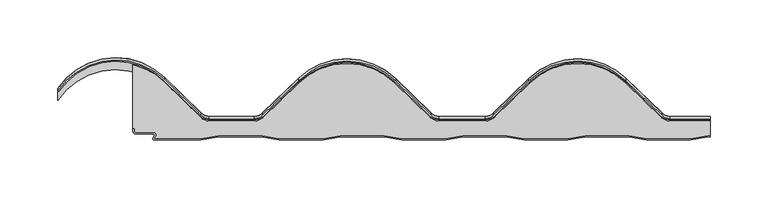
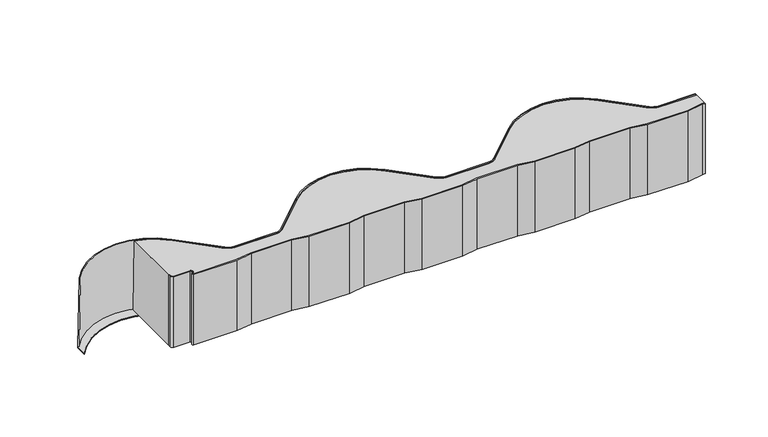
"""IFC4 building model written with IfcOpenShell, lengths in millimetres: proxy geometry."""

from ifc_helpers import new_model, si_unit, point, frame, frame_2d, origin, origin_with_axes, place, context, project, spatial, polyline, circle_curve, trimmed, segment, composite_curve, outline, extrude, source, transform, mapped, element, save
from ifc_brep_helpers import plane_surface, cylinder_surface, revolved_surface, extruded_surface, advanced_brep


def generic_models_993bad3c(model_context):
    return source(origin(), model_context, "Body", "SolidModel", [
        extrude(outline(composite_curve([segment(polyline([(-2.265, 1.5), (-17.265, -1.0), (-55.265, -1.0), (-70.265, 1.5), (-108.265, 1.5), (-123.265, -1.0), (-161.265, -1.0), (-176.265, 1.5), (-214.265, 1.5), (-229.265, -1.0), (-267.265, -1.0), (-282.265, 1.5), (-320.265, 1.5), (-335.265, -1.0), (-373.265, -1.0), (-388.265, 1.5), (-426.265, 1.5), (-441.265, -1.0), (-482.0711352, -1.0)]), True, "CONTINUOUS"), segment(trimmed(circle_curve(frame_2d((-482.0711352, 0.0)), 1.0), [point((-482.0711352, -1.0))], [point((-482.9100181, 0.5443119))], False, "CARTESIAN"), True, "CONTINUOUS"), segment(polyline([(-482.9100181, 0.5443119), (-481.4750477, 2.7558601)]), True, "CONTINUOUS"), segment(trimmed(circle_curve(frame_2d((-482.3139306, 3.3001721)), 1.0), [point((-481.4750477, 2.7558601))], [point((-482.3139306, 4.3001721))], True, "CARTESIAN"), True, "CONTINUOUS"), segment(polyline([(-482.3139306, 4.3001721), (-497.9000007, 4.3001721)]), True, "CONTINUOUS"), segment(trimmed(circle_curve(frame_2d((-497.9000007, 6.4001714)), 2.0999993), [point((-497.9000007, 4.3001721))], [point((-500.0, 6.4001714))], False, "CARTESIAN"), True, "CONTINUOUS"), segment(polyline([(-500.0, 6.4001714), (-500.0, 8.4001722), (-499.0, 8.4001722), (-499.0, 6.4001714)]), True, "CONTINUOUS"), segment(trimmed(circle_curve(frame_2d((-497.9000007, 6.4001714)), 1.0999993), [point((-499.0, 6.4001714))], [point((-497.9000007, 5.3001721))], True, "CARTESIAN"), True, "CONTINUOUS"), segment(polyline([(-497.9000007, 5.3001721), (-482.3139306, 5.3001721)]), True, "CONTINUOUS"), segment(trimmed(circle_curve(frame_2d((-482.3139306, 3.3001721)), 2.0), [point((-482.3139306, 5.3001721))], [point((-480.6361648, 2.2115482))], False, "CARTESIAN"), True, "CONTINUOUS"), segment(polyline([(-480.6361648, 2.2115482), (-482.0711352, 0.0), (-441.3477625, 0.0), (-426.3477625, 2.5), (-388.1822375, 2.5), (-373.1822375, 0.0), (-335.3477625, 0.0), (-320.3477625, 2.5), (-282.1822375, 2.5), (-267.1822375, 0.0), (-229.3477625, 0.0), (-214.3477625, 2.5), (-176.1822375, 2.5), (-161.1822375, 0.0), (-123.3477625, 0.0), (-108.3477625, 2.5), (-70.1822375, 2.5), (-55.1822375, 0.0), (-17.3477625, 0.0), (-2.3477625, 2.5), (-0.0286423, 2.5), (-0.0286423, 1.5), (-2.265, 1.5)]), True, "CONTINUOUS")], self_intersect=False)), origin_with_axes(), (0.0, 0.0, 1.0), 70.001),
        advanced_brep(
        [(-500.0, 66.6216742, 0.0), (-473.3196047, 51.6257976, 0.0), (-441.4819062, 20.6196004, 0.0), (-433.8073181, 17.5, 0.0), (-394.8301637, 17.5, 0.0), (-387.1555756, 20.6196004, 0.0), (-356.3446944, 50.6257976, 0.0), (-273.3196047, 50.6257976, 0.0), (-242.5087235, 20.6196004, 0.0), (-234.8341354, 17.5, 0.0), (-194.8301637, 17.5, 0.0), (-187.1555756, 20.6196004, 0.0), (-156.3446944, 50.6257976, 0.0), (-73.3196047, 50.6257976, 0.0), (-42.5087235, 20.6196004, 0.0), (-34.8341354, 17.5, 0.0), (-0.0286423, 17.5, 0.0), (-0.0286423, 2.5, 0.0), (-2.3477625, 2.5, 0.0), (-17.3477625, 0.0, 0.0), (-55.1822375, 0.0, 0.0), (-70.1822375, 2.5, 0.0), (-108.3477625, 2.5, 0.0), (-123.3477625, 0.0, 0.0), (-161.1822375, 0.0, 0.0), (-176.1822375, 2.5, 0.0), (-214.3477625, 2.5, 0.0), (-229.3477625, 0.0, 0.0), (-267.1822375, 0.0, 0.0), (-282.1822375, 2.5, 0.0), (-320.3477625, 2.5, 0.0), (-335.3477625, 0.0, 0.0), (-373.1822375, 0.0, 0.0), (-388.1822375, 2.5, 0.0), (-426.3477625, 2.5, 0.0), (-441.3477625, 0.0, 0.0), (-482.0711352, 0.0, 0.0), (-480.6361648, 2.2115482, 0.0), (-482.3139306, 5.3001721, 0.0), (-497.9000007, 5.3001721, 0.0), (-499.0, 6.4001714, 0.0), (-499.0, 8.4001722, 0.0), (-500.0, 8.4001722, 0.0), (-500.0, 8.4001722, 70.001), (-500.0, 64.5216442, 70.001), (-499.0, 8.4001722, 70.001), (-499.0, 6.4001714, 70.001), (-497.9000007, 5.3001721, 70.001), (-482.3139306, 5.3001721, 70.001), (-480.6361648, 2.2115482, 70.001), (-482.0711352, 0.0, 70.001), (-441.3477625, 0.0, 70.001), (-426.3477625, 2.5, 70.001), (-388.1822375, 2.5, 70.001), (-373.1822375, 0.0, 70.001), (-335.3477625, 0.0, 70.001), (-320.3477625, 2.5, 70.001), (-282.1822375, 2.5, 70.001), (-267.1822375, 0.0, 70.001), (-229.3477625, 0.0, 70.001), (-214.3477625, 2.5, 70.001), (-176.1822375, 2.5, 70.001), (-161.1822375, 0.0, 70.001), (-123.3477625, 0.0, 70.001), (-108.3477625, 2.5, 70.001), (-70.1822375, 2.5, 70.001), (-55.1822375, 0.0, 70.001), (-17.3477625, 0.0, 70.001), (-2.3477625, 2.5, 70.001), (-0.0286423, 2.5, 70.001), (-0.0286423, 15.39997, 70.001), (-34.8341354, 15.39997, 70.001), (-42.5087235, 18.5195704, 70.001), (-73.3196047, 48.5257676, 70.001), (-156.3446944, 48.5257676, 70.001), (-187.1555756, 18.5195704, 70.001), (-194.8301637, 15.39997, 70.001), (-234.8341354, 15.39997, 70.001), (-242.5087235, 18.5195704, 70.001), (-273.3196047, 48.5257676, 70.001), (-356.3446944, 48.5257676, 70.001), (-387.1555756, 18.5195704, 70.001), (-394.8301637, 15.39997, 70.001), (-433.8073181, 15.39997, 70.001), (-441.4819062, 18.5195704, 70.001), (-473.3196047, 49.5257676, 70.001)],
        [
            (0, 1, circle_curve(frame((-514.8321495, 9.0, 0.0), z_axis=(0.0, 0.0, -1.0), x_axis=(1.0, 0.0, 0.0)), 59.5)),
            (1, 2),
            (2, 3, circle_curve(frame((-433.8073181, 28.5, 0.0), z_axis=(0.0, 0.0, 1.0), x_axis=(1.0, 0.0, 0.0)), 11.0)),
            (3, 4),
            (4, 5, circle_curve(frame((-394.8301637, 28.5, 0.0), z_axis=(0.0, 0.0, 1.0), x_axis=(1.0, 0.0, 0.0)), 11.0)),
            (5, 6),
            (6, 7, circle_curve(frame((-314.8321495, 8.0, 0.0), z_axis=(0.0, 0.0, -1.0), x_axis=(1.0, 0.0, 0.0)), 59.5)),
            (7, 8),
            (8, 9, circle_curve(frame((-234.8341354, 28.5, 0.0), z_axis=(0.0, 0.0, 1.0), x_axis=(1.0, 0.0, 0.0)), 11.0)),
            (9, 10),
            (10, 11, circle_curve(frame((-194.8301637, 28.5, 0.0), z_axis=(0.0, 0.0, 1.0), x_axis=(1.0, 0.0, 0.0)), 11.0)),
            (11, 12),
            (12, 13, circle_curve(frame((-114.8321495, 8.0, 0.0), z_axis=(0.0, 0.0, -1.0), x_axis=(1.0, 0.0, 0.0)), 59.5)),
            (13, 14),
            (14, 15, circle_curve(frame((-34.8341354, 28.5, 0.0), z_axis=(0.0, 0.0, 1.0), x_axis=(1.0, 0.0, 0.0)), 11.0)),
            (15, 16),
            (16, 17),
            (17, 18),
            (18, 19),
            (19, 20),
            (20, 21),
            (21, 22),
            (22, 23),
            (23, 24),
            (24, 25),
            (25, 26),
            (26, 27),
            (27, 28),
            (28, 29),
            (29, 30),
            (30, 31),
            (31, 32),
            (32, 33),
            (33, 34),
            (34, 35),
            (35, 36),
            (36, 37),
            (37, 38, circle_curve(frame((-482.3139306, 3.3001721, 0.0), z_axis=(0.0, 0.0, 1.0), x_axis=(1.0, 3.998762942509836e-12, 0.0)), 2.0)),
            (38, 39),
            (39, 40, circle_curve(frame((-497.9000007, 6.4001714, 0.0), z_axis=(0.0, 0.0, -1.0), x_axis=(0.0, -1.0, 0.0)), 1.0999993)),
            (40, 41),
            (41, 42),
            (42, 0),
            (42, 43),
            (43, 44),
            (44, 0),
            (43, 45),
            (45, 46),
            (46, 47, circle_curve(frame((-497.9000007, 6.4001714, 70.001), z_axis=(0.0, 0.0, 1.0), x_axis=(0.0, -1.0, 0.0)), 1.0999993)),
            (47, 48),
            (48, 49, circle_curve(frame((-482.3139306, 3.3001721, 70.001), z_axis=(0.0, 0.0, -1.0), x_axis=(1.0, 3.998762942509836e-12, 0.0)), 2.0)),
            (49, 50),
            (50, 51),
            (51, 52),
            (52, 53),
            (53, 54),
            (54, 55),
            (55, 56),
            (56, 57),
            (57, 58),
            (58, 59),
            (59, 60),
            (60, 61),
            (61, 62),
            (62, 63),
            (63, 64),
            (64, 65),
            (65, 66),
            (66, 67),
            (67, 68),
            (68, 69),
            (69, 70),
            (70, 71),
            (71, 72, circle_curve(frame((-34.8341354, 26.39997, 70.001), z_axis=(0.0, 0.0, -1.0), x_axis=(1.0, 0.0, 0.0)), 11.0)),
            (72, 73),
            (73, 74, circle_curve(frame((-114.8321495, 5.89997, 70.001), z_axis=(0.0, 0.0, 1.0), x_axis=(1.0, 0.0, 0.0)), 59.5)),
            (74, 75),
            (75, 76, circle_curve(frame((-194.8301637, 26.39997, 70.001), z_axis=(0.0, 0.0, -1.0), x_axis=(1.0, 0.0, 0.0)), 11.0)),
            (76, 77),
            (77, 78, circle_curve(frame((-234.8341354, 26.39997, 70.001), z_axis=(0.0, 0.0, -1.0), x_axis=(1.0, 0.0, 0.0)), 11.0)),
            (78, 79),
            (79, 80, circle_curve(frame((-314.8321495, 5.89997, 70.001), z_axis=(0.0, 0.0, 1.0), x_axis=(1.0, 0.0, 0.0)), 59.5)),
            (80, 81),
            (81, 82, circle_curve(frame((-394.8301637, 26.39997, 70.001), z_axis=(0.0, 0.0, -1.0), x_axis=(1.0, 0.0, 0.0)), 11.0)),
            (82, 83),
            (83, 84, circle_curve(frame((-433.8073181, 26.39997, 70.001), z_axis=(0.0, 0.0, -1.0), x_axis=(1.0, 0.0, 0.0)), 11.0)),
            (84, 85),
            (85, 44, circle_curve(frame((-514.8321495, 6.89997, 70.001), z_axis=(0.0, 0.0, 1.0), x_axis=(1.0, 0.0, 0.0)), 59.5)),
            (16, 70),
            (69, 17),
            (41, 45),
            (40, 46),
            (39, 47),
            (38, 48),
            (37, 49),
            (36, 50),
            (35, 51),
            (34, 52),
            (33, 53),
            (32, 54),
            (31, 55),
            (30, 56),
            (29, 57),
            (28, 58),
            (27, 59),
            (26, 60),
            (25, 61),
            (24, 62),
            (23, 63),
            (22, 64),
            (21, 65),
            (20, 66),
            (19, 67),
            (18, 68),
            (15, 71),
            (14, 72),
            (13, 73),
            (12, 74),
            (11, 75),
            (10, 76),
            (9, 77),
            (8, 78),
            (7, 79),
            (6, 80),
            (5, 81),
            (4, 82),
            (3, 83),
            (2, 84),
            (1, 85),
        ],
        [
            plane_surface(frame((29.6642368, 16.51352, 0.0), z_axis=(0.0, 0.0, -1.0), x_axis=(0.0, 1.0, 0.0))),
            plane_surface(frame((-500.0, 37.5109232, 0.0), z_axis=(-1.0, 0.0, 0.0), x_axis=(0.0, -1.0, 0.0))),
            plane_surface(frame((-584.0, -4.6065538, 70.001), z_axis=(0.0, 0.0, 1.0), x_axis=(0.0, 1.0, 0.0))),
            plane_surface(frame((-0.0286423, 106.542464, 350.0), z_axis=(1.0, 0.0, 0.0), x_axis=(0.0, 0.0, -1.0))),
            plane_surface(frame((-499.5, 8.4001722, 0.0), z_axis=(0.0, -1.0, 0.0), x_axis=(1.0, 0.0, 0.0))),
            plane_surface(frame((-499.0, 7.4001718, 0.0), z_axis=(-1.0, 0.0, 0.0), x_axis=(0.0, -1.0, 0.0))),
            cylinder_surface(frame((-497.9000007, 6.4001714, 0.0), z_axis=(0.0, 0.0, 1.0), x_axis=(0.0, -1.0, 0.0)), 1.0999993),
            plane_surface(frame((-490.1069656, 5.3001721, 0.0), z_axis=(0.0, -1.0, 0.0), x_axis=(1.0, 0.0, 0.0))),
            revolved_surface(polyline([(-480.3139306, 3.3001721000079978, 70.001), (-480.3139306, 3.3001721000079978, 0.0)]), (-482.3139306, 3.3001721, 0.0), (0.0, 0.0, 1.0)),
            plane_surface(frame((-481.35365, 1.1057741, 0.0), z_axis=(-0.8388828900586107, 0.5443119480288054, 0.0), x_axis=(-0.5443119480288054, -0.8388828900586107, 0.0))),
            plane_surface(frame((-461.7094489, 0.0, 0.0), z_axis=(0.0, -1.0, 0.0), x_axis=(1.0, 0.0, 0.0))),
            plane_surface(frame((-433.8477625, 1.25, 0.0), z_axis=(0.16439898730535946, -0.9863939238321434, 0.0), x_axis=(0.9863939238321434, 0.16439898730535946, 0.0))),
            plane_surface(frame((-407.265, 2.5, 0.0), z_axis=(0.0, -1.0, 0.0), x_axis=(1.0, 0.0, 0.0))),
            plane_surface(frame((-380.6822375, 1.25, 0.0), z_axis=(-0.16439898730535946, -0.9863939238321434, 0.0), x_axis=(0.9863939238321434, -0.16439898730535946, 0.0))),
            plane_surface(frame((-354.265, 0.0, 0.0), z_axis=(0.0, -1.0, 0.0), x_axis=(1.0, 0.0, 0.0))),
            plane_surface(frame((-327.8477625, 1.25, 0.0), z_axis=(0.16439898730535946, -0.9863939238321434, 0.0), x_axis=(0.9863939238321434, 0.16439898730535946, 0.0))),
            plane_surface(frame((-301.265, 2.5, 0.0), z_axis=(0.0, -1.0, 0.0), x_axis=(1.0, 0.0, 0.0))),
            plane_surface(frame((-274.6822375, 1.25, 0.0), z_axis=(-0.1643989873053537, -0.9863939238321443, 0.0), x_axis=(0.9863939238321443, -0.1643989873053537, 0.0))),
            plane_surface(frame((-248.265, 0.0, 0.0), z_axis=(0.0, -1.0, 0.0), x_axis=(1.0, 0.0, 0.0))),
            plane_surface(frame((-221.8477625, 1.25, 0.0), z_axis=(0.16439898730535946, -0.9863939238321434, 0.0), x_axis=(0.9863939238321434, 0.16439898730535946, 0.0))),
            plane_surface(frame((-195.265, 2.5, 0.0), z_axis=(0.0, -1.0, 0.0), x_axis=(1.0, 0.0, 0.0))),
            plane_surface(frame((-168.6822375, 1.25, 0.0), z_axis=(-0.16439898730535946, -0.9863939238321434, 0.0), x_axis=(0.9863939238321434, -0.16439898730535946, 0.0))),
            plane_surface(frame((-142.265, 0.0, 0.0), z_axis=(0.0, -1.0, 0.0), x_axis=(1.0, 0.0, 0.0))),
            plane_surface(frame((-115.8477625, 1.25, 0.0), z_axis=(0.16439898730535948, -0.9863939238321434, 0.0), x_axis=(0.9863939238321434, 0.16439898730535948, 0.0))),
            plane_surface(frame((-89.265, 2.5, 0.0), z_axis=(0.0, -1.0, 0.0), x_axis=(1.0, 0.0, 0.0))),
            plane_surface(frame((-62.6822375, 1.25, 0.0), z_axis=(-0.16439898730535366, -0.9863939238321443, 0.0), x_axis=(0.9863939238321443, -0.16439898730535366, 0.0))),
            plane_surface(frame((-36.265, 0.0, 0.0), z_axis=(0.0, -1.0, 0.0), x_axis=(1.0, 0.0, 0.0))),
            plane_surface(frame((-9.8477625, 1.25, 0.0), z_axis=(0.16439898730535948, -0.9863939238321434, 0.0), x_axis=(0.9863939238321434, 0.16439898730535948, 0.0))),
            plane_surface(frame((16.735, 2.5, 0.0), z_axis=(0.0, -1.0, 0.0), x_axis=(1.0, 0.0, 0.0))),
            plane_surface(frame((-14.8321495, 17.5, 0.0), z_axis=(0.0, 0.9995503035223665, 0.029986509105683012), x_axis=(-1.0, 0.0, 0.0))),
            extruded_surface(trimmed(circle_curve(frame((-34.8341354, 28.5, 0.0), z_axis=(0.0, 0.0, -1.0), x_axis=(1.0, 0.0, 0.0)), 11.0), [point((-34.8341354, 17.5, 0.0))], [point((-42.5087235, 20.6196004, 0.0))], True, "CARTESIAN"), (0.0, -10.5, 350.0), 350.1574645784379),
            plane_surface(frame((-57.9141641, 35.622699, 0.0), z_axis=(0.6975287509556769, 0.7162345627210827, 0.021487036881636883), x_axis=(-0.7163999601492517, 0.6976898287191455, 0.0))),
            extruded_surface(trimmed(circle_curve(frame((-114.8321495, 8.0, 0.0), z_axis=(0.0, 0.0, 1.0), x_axis=(1.0, 0.0, 0.0)), 59.5), [point((-73.3196047, 50.6257976, 0.0))], [point((-156.3446944, 50.6257976, 0.0))], True, "CARTESIAN"), (0.0, -10.5, 350.0), 350.1574645784379),
            plane_surface(frame((-171.750135, 35.622699, 0.0), z_axis=(-0.6975287509558471, 0.7162345627209172, 0.021487036881625905), x_axis=(-0.716399960149086, -0.6976898287193156, 0.0))),
            extruded_surface(trimmed(circle_curve(frame((-194.8301637, 28.5, 0.0), z_axis=(0.0, 0.0, -1.0), x_axis=(1.0, 0.0, 0.0)), 11.0), [point((-187.1555756, 20.6196004, 0.0))], [point((-194.8301637, 17.5, 0.0))], True, "CARTESIAN"), (0.0, -10.5, 350.0), 350.1574645784379),
            plane_surface(frame((-214.8321495, 17.5, 0.0), z_axis=(0.0, 0.9995503035223665, 0.029986509105683012), x_axis=(-1.0, 0.0, 0.0))),
            extruded_surface(trimmed(circle_curve(frame((-234.8341354, 28.5, 0.0), z_axis=(0.0, 0.0, -1.0), x_axis=(1.0, 0.0, 0.0)), 11.0), [point((-234.8341354, 17.5, 0.0))], [point((-242.5087235, 20.6196004, 0.0))], True, "CARTESIAN"), (0.0, -10.5, 350.0), 350.1574645784379),
            plane_surface(frame((-257.9141641, 35.622699, 0.0), z_axis=(0.6975287509556767, 0.7162345627210829, 0.02148703688163686), x_axis=(-0.7163999601492519, 0.6976898287191453, 0.0))),
            extruded_surface(trimmed(circle_curve(frame((-314.8321495, 8.0, 0.0), z_axis=(0.0, 0.0, 1.0), x_axis=(1.0, 0.0, 0.0)), 59.5), [point((-273.3196047, 50.6257976, 0.0))], [point((-356.3446944, 50.6257976, 0.0))], True, "CARTESIAN"), (0.0, -10.5, 350.0), 350.1574645784379),
            plane_surface(frame((-371.750135, 35.622699, 0.0), z_axis=(-0.6975287509558474, 0.716234562720917, 0.0214870368816261), x_axis=(-0.7163999601490858, -0.697689828719316, 0.0))),
            extruded_surface(trimmed(circle_curve(frame((-394.8301637, 28.5, 0.0), z_axis=(0.0, 0.0, -1.0), x_axis=(1.0, 0.0, 0.0)), 11.0), [point((-387.1555756, 20.6196004, 0.0))], [point((-394.8301637, 17.5, 0.0))], True, "CARTESIAN"), (0.0, -10.5, 350.0), 350.1574645784379),
            plane_surface(frame((-414.3187409, 17.5, 0.0), z_axis=(0.0, 0.9995503035223665, 0.029986509105683012), x_axis=(-1.0, 0.0, 0.0))),
            extruded_surface(trimmed(circle_curve(frame((-433.8073181, 28.5, 0.0), z_axis=(0.0, 0.0, -1.0), x_axis=(1.0, 0.0, 0.0)), 11.0), [point((-433.8073181, 17.5, 0.0))], [point((-441.4819062, 20.6196004, 0.0))], True, "CARTESIAN"), (0.0, -10.5, 350.0), 350.1574645784379),
            plane_surface(frame((-457.4007555, 36.122699, 0.0), z_axis=(0.6975287509556769, 0.7162345627210829, 0.021487036881634645), x_axis=(-0.7163999601492518, 0.6976898287191454, 0.0))),
            extruded_surface(trimmed(circle_curve(frame((-514.8321495, 9.0, 0.0), z_axis=(0.0, 0.0, 1.0), x_axis=(1.0, 0.0, 0.0)), 59.5), [point((-473.3196047, 51.6257976, 0.0))], [point((-500.0, 66.6216742, 0.0))], True, "CARTESIAN"), (0.0, -10.5, 350.0), 350.1574645784379),
        ],
        [
            (0, [[1, 2, 3, 4, 5, 6, 7, 8, 9, 10, 11, 12, 13, 14, 15, 16, 17, 18, 19, 20, 21, 22, 23, 24, 25, 26, 27, 28, 29, 30, 31, 32, 33, 34, 35, 36, 37, 38, 39, 40, 41, 42, 43]]),
            (1, [[-43, 44, 45, 46]]),
            (2, [[-45, 47, 48, 49, 50, 51, 52, 53, 54, 55, 56, 57, 58, 59, 60, 61, 62, 63, 64, 65, 66, 67, 68, 69, 70, 71, 72, 73, 74, 75, 76, 77, 78, 79, 80, 81, 82, 83, 84, 85, 86, 87, 88]]),
            (3, [[-17, 89, -72, 90]]),
            (4, [[-42, 91, -47, -44]]),
            (5, [[-41, 92, -48, -91]]),
            (6, [[-40, 93, -49, -92]]),
            (7, [[-39, 94, -50, -93]]),
            (8, [[-38, 95, -51, -94]]),
            (9, [[-37, 96, -52, -95]]),
            (10, [[-36, 97, -53, -96]]),
            (11, [[-35, 98, -54, -97]]),
            (12, [[-34, 99, -55, -98]]),
            (13, [[-33, 100, -56, -99]]),
            (14, [[-32, 101, -57, -100]]),
            (15, [[-31, 102, -58, -101]]),
            (16, [[-30, 103, -59, -102]]),
            (17, [[-29, 104, -60, -103]]),
            (18, [[-28, 105, -61, -104]]),
            (19, [[-27, 106, -62, -105]]),
            (20, [[-26, 107, -63, -106]]),
            (21, [[-25, 108, -64, -107]]),
            (22, [[-24, 109, -65, -108]]),
            (23, [[-23, 110, -66, -109]]),
            (24, [[-22, 111, -67, -110]]),
            (25, [[-21, 112, -68, -111]]),
            (26, [[-20, 113, -69, -112]]),
            (27, [[-19, 114, -70, -113]]),
            (28, [[-114, -18, -90, -71]]),
            (29, [[115, -73, -89, -16]]),
            (30, [[-15, 116, -74, -115]]),
            (31, [[-14, 117, -75, -116]]),
            (32, [[-13, 118, -76, -117]]),
            (33, [[-12, 119, -77, -118]]),
            (34, [[-11, 120, -78, -119]]),
            (35, [[-10, 121, -79, -120]]),
            (36, [[-9, 122, -80, -121]]),
            (37, [[-8, 123, -81, -122]]),
            (38, [[-7, 124, -82, -123]]),
            (39, [[-6, 125, -83, -124]]),
            (40, [[-5, 126, -84, -125]]),
            (41, [[-4, 127, -85, -126]]),
            (42, [[-3, 128, -86, -127]]),
            (43, [[-2, 129, -87, -128]]),
            (44, [[-1, -46, -88, -129]]),
        ],
    ),
        extrude(outline(composite_curve([segment(trimmed(circle_curve(frame_2d((-433.8073181, 29.5)), 10.0), [point((-440.7842164, 22.3360004))], [point((-433.8073181, 19.5))], True, "CARTESIAN"), True, "CONTINUOUS"), segment(polyline([(-433.8073181, 19.5), (-394.8301637, 19.5)]), True, "CONTINUOUS"), segment(trimmed(circle_curve(frame_2d((-394.8301637, 29.5)), 10.0), [point((-394.8301637, 19.5))], [point((-387.8532654, 22.3360004))], True, "CARTESIAN"), True, "CONTINUOUS"), segment(polyline([(-387.8532654, 22.3360004), (-357.0423842, 52.3421976)]), True, "CONTINUOUS"), segment(trimmed(circle_curve(frame_2d((-314.8321495, 9.0)), 60.5), [point((-357.0423842, 52.3421976))], [point((-272.6219149, 52.3421976))], False, "CARTESIAN"), True, "CONTINUOUS"), segment(polyline([(-272.6219149, 52.3421976), (-241.8110336, 22.3360004)]), True, "CONTINUOUS"), segment(trimmed(circle_curve(frame_2d((-234.8341354, 29.5)), 10.0), [point((-241.8110336, 22.3360004))], [point((-234.8341354, 19.5))], True, "CARTESIAN"), True, "CONTINUOUS"), segment(polyline([(-234.8341354, 19.5), (-194.8301637, 19.5)]), True, "CONTINUOUS"), segment(trimmed(circle_curve(frame_2d((-194.8301637, 29.5)), 10.0), [point((-194.8301637, 19.5))], [point((-187.8532654, 22.3360004))], True, "CARTESIAN"), True, "CONTINUOUS"), segment(polyline([(-187.8532654, 22.3360004), (-157.0423842, 52.3421976)]), True, "CONTINUOUS"), segment(trimmed(circle_curve(frame_2d((-114.8321495, 9.0)), 60.5), [point((-157.0423842, 52.3421976))], [point((-72.6219149, 52.3421976))], False, "CARTESIAN"), True, "CONTINUOUS"), segment(polyline([(-72.6219149, 52.3421976), (-41.8110336, 22.3360004)]), True, "CONTINUOUS"), segment(trimmed(circle_curve(frame_2d((-34.8341354, 29.5)), 10.0), [point((-41.8110336, 22.3360004))], [point((-34.8341354, 19.5))], True, "CARTESIAN"), True, "CONTINUOUS"), segment(polyline([(-34.8341354, 19.5), (-0.0286423, 19.5), (-0.0286423, 9.0), (-34.8341354, 9.0)]), True, "CONTINUOUS"), segment(trimmed(circle_curve(frame_2d((-34.8341354, 19.0)), 10.0), [point((-34.8341354, 9.0))], [point((-41.8110336, 11.8360004))], False, "CARTESIAN"), True, "CONTINUOUS"), segment(polyline([(-41.8110336, 11.8360004), (-72.6219149, 41.8421976)]), True, "CONTINUOUS"), segment(trimmed(circle_curve(frame_2d((-114.8321495, -1.5)), 60.5), [point((-72.6219149, 41.8421976))], [point((-157.0423842, 41.8421976))], True, "CARTESIAN"), True, "CONTINUOUS"), segment(polyline([(-157.0423842, 41.8421976), (-187.8532654, 11.8360004)]), True, "CONTINUOUS"), segment(trimmed(circle_curve(frame_2d((-194.8301637, 19.0)), 10.0), [point((-187.8532654, 11.8360004))], [point((-194.8301637, 9.0))], False, "CARTESIAN"), True, "CONTINUOUS"), segment(polyline([(-194.8301637, 9.0), (-234.8341354, 9.0)]), True, "CONTINUOUS"), segment(trimmed(circle_curve(frame_2d((-234.8341354, 19.0)), 10.0), [point((-234.8341354, 9.0))], [point((-241.8110336, 11.8360004))], False, "CARTESIAN"), True, "CONTINUOUS"), segment(polyline([(-241.8110336, 11.8360004), (-272.6219149, 41.8421976)]), True, "CONTINUOUS"), segment(trimmed(circle_curve(frame_2d((-314.8321495, -1.5)), 60.5), [point((-272.6219149, 41.8421976))], [point((-357.0423842, 41.8421976))], True, "CARTESIAN"), True, "CONTINUOUS"), segment(polyline([(-357.0423842, 41.8421976), (-387.8532654, 11.8360004)]), True, "CONTINUOUS"), segment(trimmed(circle_curve(frame_2d((-394.8301637, 19.0)), 10.0), [point((-387.8532654, 11.8360004))], [point((-394.8301637, 9.0))], False, "CARTESIAN"), True, "CONTINUOUS"), segment(polyline([(-394.8301637, 9.0), (-433.8073181, 9.0)]), True, "CONTINUOUS"), segment(trimmed(circle_curve(frame_2d((-433.8073181, 19.0)), 10.0), [point((-433.8073181, 9.0))], [point((-440.7842164, 11.8360004))], False, "CARTESIAN"), True, "CONTINUOUS"), segment(polyline([(-440.7842164, 11.8360004), (-472.6219149, 42.8421976)]), True, "CONTINUOUS"), segment(trimmed(circle_curve(frame_2d((-514.8321495, -0.5)), 60.5), [point((-472.6219149, 42.8421976))], [point((-565.1458268, 33.0973791))], True, "CARTESIAN"), True, "CONTINUOUS"), segment(polyline([(-565.1458268, 33.0973791), (-565.1458268, 43.5973791)]), True, "CONTINUOUS"), segment(trimmed(circle_curve(frame_2d((-514.8321495, 10.0)), 60.5), [point((-565.1458268, 43.5973791))], [point((-472.6219149, 53.3421976))], False, "CARTESIAN"), True, "CONTINUOUS"), segment(polyline([(-472.6219149, 53.3421976), (-440.7842164, 22.3360004)]), True, "CONTINUOUS")], self_intersect=False)), frame((0.0, 0.0, -1.0), z_axis=(0.0, 0.0, 1.0), x_axis=(1.0, 0.0, 0.0)), (0.0, 0.0, 1.0), 1.0),
        advanced_brep(
        [(-472.6219149, 53.3421976, 0.0), (-440.7842164, 22.3360004, 0.0), (-433.8073181, 19.5, 0.0), (-394.8301637, 19.5, 0.0), (-387.8532654, 22.3360004, 0.0), (-357.0423842, 52.3421976, 0.0), (-272.6219149, 52.3421976, 0.0), (-241.8110336, 22.3360004, 0.0), (-234.8341354, 19.5, 0.0), (-194.8301637, 19.5, 0.0), (-187.8532654, 22.3360004, 0.0), (-157.0423842, 52.3421976, 0.0), (-72.6219149, 52.3421976, 0.0), (-41.8110336, 22.3360004, 0.0), (-34.8341354, 19.5, 0.0), (-0.0286423, 19.5, 0.0), (-0.0286423, 18.5, 0.0), (-34.8341354, 18.5, 0.0), (-42.5087235, 21.6196004, 0.0), (-73.3196047, 51.6257976, 0.0), (-156.3446944, 51.6257976, 0.0), (-187.1555756, 21.6196004, 0.0), (-194.8301637, 18.5, 0.0), (-234.8341354, 18.5, 0.0), (-242.5087235, 21.6196004, 0.0), (-273.3196047, 51.6257976, 0.0), (-356.3446944, 51.6257976, 0.0), (-387.1555756, 21.6196004, 0.0), (-394.8301637, 18.5, 0.0), (-433.8073181, 18.5, 0.0), (-441.4819062, 21.6196004, 0.0), (-473.3196047, 52.6257976, 0.0), (-564.3141957, 43.0420505, 0.0), (-565.1458268, 43.5973791, 0.0), (-565.1458268, 41.4973491, 70.001), (-472.6219149, 51.2421676, 70.001), (-564.3141957, 40.9420205, 70.001), (-473.3196047, 50.5257676, 70.001), (-441.4819062, 19.5195704, 70.001), (-433.8073181, 16.39997, 70.001), (-394.8301637, 16.39997, 70.001), (-387.1555756, 19.5195704, 70.001), (-356.3446944, 49.5257676, 70.001), (-273.3196047, 49.5257676, 70.001), (-242.5087235, 19.5195704, 70.001), (-234.8341354, 16.39997, 70.001), (-194.8301637, 16.39997, 70.001), (-187.1555756, 19.5195704, 70.001), (-156.3446944, 49.5257676, 70.001), (-73.3196047, 49.5257676, 70.001), (-42.5087235, 19.5195704, 70.001), (-34.8341354, 16.39997, 70.001), (-0.0286423, 16.39997, 70.001), (-34.8341354, 17.39997, 70.001), (-0.0286423, 17.39997, 70.001), (-41.8110336, 20.2359704, 70.001), (-72.6219149, 50.2421676, 70.001), (-157.0423842, 50.2421676, 70.001), (-187.8532654, 20.2359704, 70.001), (-194.8301637, 17.39997, 70.001), (-234.8341354, 17.39997, 70.001), (-241.8110336, 20.2359704, 70.001), (-272.6219149, 50.2421676, 70.001), (-357.0423842, 50.2421676, 70.001), (-387.8532654, 20.2359704, 70.001), (-394.8301637, 17.39997, 70.001), (-433.8073181, 17.39997, 70.001), (-440.7842164, 20.2359704, 70.001)],
        [
            (0, 1),
            (1, 2, circle_curve(frame((-433.8073181, 29.5, 0.0), z_axis=(0.0, 0.0, 1.0), x_axis=(1.0, 0.0, 0.0)), 10.0)),
            (2, 3),
            (3, 4, circle_curve(frame((-394.8301637, 29.5, 0.0), z_axis=(0.0, 0.0, 1.0), x_axis=(1.0, 0.0, 0.0)), 10.0)),
            (4, 5),
            (5, 6, circle_curve(frame((-314.8321495, 9.0, 0.0), z_axis=(0.0, 0.0, -1.0), x_axis=(1.0, 0.0, 0.0)), 60.5)),
            (6, 7),
            (7, 8, circle_curve(frame((-234.8341354, 29.5, 0.0), z_axis=(0.0, 0.0, 1.0), x_axis=(1.0, 0.0, 0.0)), 10.0)),
            (8, 9),
            (9, 10, circle_curve(frame((-194.8301637, 29.5, 0.0), z_axis=(0.0, 0.0, 1.0), x_axis=(1.0, 0.0, 0.0)), 10.0)),
            (10, 11),
            (11, 12, circle_curve(frame((-114.8321495, 9.0, 0.0), z_axis=(0.0, 0.0, -1.0), x_axis=(1.0, 0.0, 0.0)), 60.5)),
            (12, 13),
            (13, 14, circle_curve(frame((-34.8341354, 29.5, 0.0), z_axis=(0.0, 0.0, 1.0), x_axis=(1.0, 0.0, 0.0)), 10.0)),
            (14, 15),
            (15, 16),
            (16, 17),
            (17, 18, circle_curve(frame((-34.8341354, 29.5, 0.0), z_axis=(0.0, 0.0, -1.0), x_axis=(1.0, 0.0, 0.0)), 11.0)),
            (18, 19),
            (19, 20, circle_curve(frame((-114.8321495, 9.0, 0.0), z_axis=(0.0, 0.0, 1.0), x_axis=(1.0, 0.0, 0.0)), 59.5)),
            (20, 21),
            (21, 22, circle_curve(frame((-194.8301637, 29.5, 0.0), z_axis=(0.0, 0.0, -1.0), x_axis=(1.0, 0.0, 0.0)), 11.0)),
            (22, 23),
            (23, 24, circle_curve(frame((-234.8341354, 29.5, 0.0), z_axis=(0.0, 0.0, -1.0), x_axis=(1.0, 0.0, 0.0)), 11.0)),
            (24, 25),
            (25, 26, circle_curve(frame((-314.8321495, 9.0, 0.0), z_axis=(0.0, 0.0, 1.0), x_axis=(1.0, 0.0, 0.0)), 59.5)),
            (26, 27),
            (27, 28, circle_curve(frame((-394.8301637, 29.5, 0.0), z_axis=(0.0, 0.0, -1.0), x_axis=(1.0, 0.0, 0.0)), 11.0)),
            (28, 29),
            (29, 30, circle_curve(frame((-433.8073181, 29.5, 0.0), z_axis=(0.0, 0.0, -1.0), x_axis=(1.0, 0.0, 0.0)), 11.0)),
            (30, 31),
            (31, 32, circle_curve(frame((-514.8321495, 10.0, 0.0), z_axis=(0.0, 0.0, 1.0), x_axis=(1.0, 0.0, 0.0)), 59.5)),
            (32, 33),
            (33, 0, circle_curve(frame((-514.8321495, 10.0, 0.0), z_axis=(0.0, 0.0, -1.0), x_axis=(1.0, 0.0, 0.0)), 60.5)),
            (33, 34),
            (34, 35, circle_curve(frame((-514.8321495, 7.89997, 70.001), z_axis=(0.0, 0.0, -1.0), x_axis=(1.0, 0.0, 0.0)), 60.5)),
            (35, 0),
            (32, 36),
            (36, 34),
            (31, 37),
            (37, 36, circle_curve(frame((-514.8321495, 7.89997, 70.001), z_axis=(0.0, 0.0, 1.0), x_axis=(1.0, 0.0, 0.0)), 59.5)),
            (30, 38),
            (38, 37),
            (29, 39),
            (39, 38, circle_curve(frame((-433.8073181, 27.39997, 70.001), z_axis=(0.0, 0.0, -1.0), x_axis=(1.0, 0.0, 0.0)), 11.0)),
            (28, 40),
            (40, 39),
            (27, 41),
            (41, 40, circle_curve(frame((-394.8301637, 27.39997, 70.001), z_axis=(0.0, 0.0, -1.0), x_axis=(1.0, 0.0, 0.0)), 11.0)),
            (26, 42),
            (42, 41),
            (25, 43),
            (43, 42, circle_curve(frame((-314.8321495, 6.89997, 70.001), z_axis=(0.0, 0.0, 1.0), x_axis=(1.0, 0.0, 0.0)), 59.5)),
            (24, 44),
            (44, 43),
            (23, 45),
            (45, 44, circle_curve(frame((-234.8341354, 27.39997, 70.001), z_axis=(0.0, 0.0, -1.0), x_axis=(1.0, 0.0, 0.0)), 11.0)),
            (22, 46),
            (46, 45),
            (21, 47),
            (47, 46, circle_curve(frame((-194.8301637, 27.39997, 70.001), z_axis=(0.0, 0.0, -1.0), x_axis=(1.0, 0.0, 0.0)), 11.0)),
            (20, 48),
            (48, 47),
            (19, 49),
            (49, 48, circle_curve(frame((-114.8321495, 6.89997, 70.001), z_axis=(0.0, 0.0, 1.0), x_axis=(1.0, 0.0, 0.0)), 59.5)),
            (18, 50),
            (50, 49),
            (17, 51),
            (51, 50, circle_curve(frame((-34.8341354, 27.39997, 70.001), z_axis=(0.0, 0.0, -1.0), x_axis=(1.0, 0.0, 0.0)), 11.0)),
            (16, 52),
            (52, 51),
            (14, 53),
            (53, 54),
            (54, 15),
            (13, 55),
            (55, 53, circle_curve(frame((-34.8341354, 27.39997, 70.001), z_axis=(0.0, 0.0, 1.0), x_axis=(1.0, 0.0, 0.0)), 10.0)),
            (12, 56),
            (56, 55),
            (11, 57),
            (57, 56, circle_curve(frame((-114.8321495, 6.89997, 70.001), z_axis=(0.0, 0.0, -1.0), x_axis=(1.0, 0.0, 0.0)), 60.5)),
            (10, 58),
            (58, 57),
            (9, 59),
            (59, 58, circle_curve(frame((-194.8301637, 27.39997, 70.001), z_axis=(0.0, 0.0, 1.0), x_axis=(1.0, 0.0, 0.0)), 10.0)),
            (8, 60),
            (60, 59),
            (7, 61),
            (61, 60, circle_curve(frame((-234.8341354, 27.39997, 70.001), z_axis=(0.0, 0.0, 1.0), x_axis=(1.0, 0.0, 0.0)), 10.0)),
            (6, 62),
            (62, 61),
            (5, 63),
            (63, 62, circle_curve(frame((-314.8321495, 6.89997, 70.001), z_axis=(0.0, 0.0, -1.0), x_axis=(1.0, 0.0, 0.0)), 60.5)),
            (4, 64),
            (64, 63),
            (3, 65),
            (65, 64, circle_curve(frame((-394.8301637, 27.39997, 70.001), z_axis=(0.0, 0.0, 1.0), x_axis=(1.0, 0.0, 0.0)), 10.0)),
            (2, 66),
            (66, 65),
            (1, 67),
            (67, 66, circle_curve(frame((-433.8073181, 27.39997, 70.001), z_axis=(0.0, 0.0, 1.0), x_axis=(1.0, 0.0, 0.0)), 10.0)),
            (35, 67),
            (52, 54),
        ],
        [
            plane_surface(frame((49.2852822, 36.7043237, 0.0), z_axis=(0.0, 0.0, -1.0), x_axis=(-0.7163999601492478, 0.6976898287191495, 0.0))),
            extruded_surface(trimmed(circle_curve(frame((-514.8321495, 10.0, 0.0), z_axis=(0.0, 0.0, 1.0), x_axis=(1.0, 0.0, 0.0)), 60.5), [point((-472.6219149, 53.3421976, 0.0))], [point((-565.1458268, 43.5973791, 0.0))], True, "CARTESIAN"), (0.0, -10.5, 350.0), 350.1574645784379),
            plane_surface(frame((-564.7300113, 43.3197148, 0.0), z_axis=(-0.5551558293945325, -0.8313723252192379, -0.02494116975658706), x_axis=(0.8316310284669947, -0.5553285806537683, 0.0))),
            extruded_surface(trimmed(circle_curve(frame((-514.8321495, 10.0, 0.0), z_axis=(0.0, 0.0, -1.0), x_axis=(1.0, 0.0, 0.0)), 59.5), [point((-564.3141957, 43.0420505, 0.0))], [point((-473.3196047, 52.6257976, 0.0))], True, "CARTESIAN"), (0.0, -10.5, 350.0), 350.1574645784379),
            plane_surface(frame((-457.4007555, 37.122699, 0.0), z_axis=(-0.697528750955677, -0.7162345627210829, -0.021487036881631408), x_axis=(0.7163999601492518, -0.6976898287191454, 0.0))),
            extruded_surface(trimmed(circle_curve(frame((-433.8073181, 29.5, 0.0), z_axis=(0.0, 0.0, 1.0), x_axis=(1.0, 0.0, 0.0)), 11.0), [point((-441.4819062, 21.6196004, 0.0))], [point((-433.8073181, 18.5, 0.0))], True, "CARTESIAN"), (0.0, -10.5, 350.0), 350.1574645784379),
            plane_surface(frame((-414.3187409, 18.5, 0.0), z_axis=(0.0, -0.9995503035223665, -0.029986509105683012), x_axis=(1.0, 0.0, 0.0))),
            extruded_surface(trimmed(circle_curve(frame((-394.8301637, 29.5, 0.0), z_axis=(0.0, 0.0, 1.0), x_axis=(1.0, 0.0, 0.0)), 11.0), [point((-394.8301637, 18.5, 0.0))], [point((-387.1555756, 21.6196004, 0.0))], True, "CARTESIAN"), (0.0, -10.5, 350.0), 350.1574645784379),
            plane_surface(frame((-371.750135, 36.622699, 0.0), z_axis=(0.6975287509558474, -0.716234562720917, -0.02148703688162934), x_axis=(0.7163999601490858, 0.697689828719316, 0.0))),
            extruded_surface(trimmed(circle_curve(frame((-314.8321495, 9.0, 0.0), z_axis=(0.0, 0.0, -1.0), x_axis=(1.0, 0.0, 0.0)), 59.5), [point((-356.3446944, 51.6257976, 0.0))], [point((-273.3196047, 51.6257976, 0.0))], True, "CARTESIAN"), (0.0, -10.5, 350.0), 350.1574645784379),
            plane_surface(frame((-257.9141641, 36.622699, 0.0), z_axis=(-0.6975287509556769, -0.716234562721083, -0.02148703688163362), x_axis=(0.7163999601492519, -0.6976898287191453, 0.0))),
            extruded_surface(trimmed(circle_curve(frame((-234.8341354, 29.5, 0.0), z_axis=(0.0, 0.0, 1.0), x_axis=(1.0, 0.0, 0.0)), 11.0), [point((-242.5087235, 21.6196004, 0.0))], [point((-234.8341354, 18.5, 0.0))], True, "CARTESIAN"), (0.0, -10.5, 350.0), 350.1574645784379),
            plane_surface(frame((-214.8321495, 18.5, 0.0), z_axis=(0.0, -0.9995503035223665, -0.029986509105683012), x_axis=(1.0, 0.0, 0.0))),
            extruded_surface(trimmed(circle_curve(frame((-194.8301637, 29.5, 0.0), z_axis=(0.0, 0.0, 1.0), x_axis=(1.0, 0.0, 0.0)), 11.0), [point((-194.8301637, 18.5, 0.0))], [point((-187.1555756, 21.6196004, 0.0))], True, "CARTESIAN"), (0.0, -10.5, 350.0), 350.1574645784379),
            plane_surface(frame((-171.750135, 36.622699, 0.0), z_axis=(0.6975287509558471, -0.7162345627209172, -0.021487036881629142), x_axis=(0.716399960149086, 0.6976898287193156, 0.0))),
            extruded_surface(trimmed(circle_curve(frame((-114.8321495, 9.0, 0.0), z_axis=(0.0, 0.0, -1.0), x_axis=(1.0, 0.0, 0.0)), 59.5), [point((-156.3446944, 51.6257976, 0.0))], [point((-73.3196047, 51.6257976, 0.0))], True, "CARTESIAN"), (0.0, -10.5, 350.0), 350.1574645784379),
            plane_surface(frame((-57.9141641, 36.622699, 0.0), z_axis=(-0.697528750955677, -0.7162345627210828, -0.021487036881633642), x_axis=(0.7163999601492517, -0.6976898287191455, 0.0))),
            extruded_surface(trimmed(circle_curve(frame((-34.8341354, 29.5, 0.0), z_axis=(0.0, 0.0, 1.0), x_axis=(1.0, 0.0, 0.0)), 11.0), [point((-42.5087235, 21.6196004, 0.0))], [point((-34.8341354, 18.5, 0.0))], True, "CARTESIAN"), (0.0, -10.5, 350.0), 350.1574645784379),
            plane_surface(frame((-14.8321495, 18.5, 0.0), z_axis=(0.0, -0.9995503035223665, -0.029986509105683012), x_axis=(1.0, 0.0, 0.0))),
            plane_surface(frame((-14.8321495, 19.5, 0.0), z_axis=(0.0, 0.9995503035223665, 0.029986509105683012), x_axis=(-1.0, 0.0, 0.0))),
            extruded_surface(trimmed(circle_curve(frame((-34.8341354, 29.5, 0.0), z_axis=(0.0, 0.0, -1.0), x_axis=(1.0, 0.0, 0.0)), 10.0), [point((-34.8341354, 19.5, 0.0))], [point((-41.8110336, 22.3360004, 0.0))], True, "CARTESIAN"), (0.0, -10.5, 350.0), 350.1574645784379),
            plane_surface(frame((-57.2164743, 37.339099, 0.0), z_axis=(0.6975287509556771, 0.7162345627210828, 0.021487036881633663), x_axis=(-0.7163999601492517, 0.6976898287191456, 0.0))),
            extruded_surface(trimmed(circle_curve(frame((-114.8321495, 9.0, 0.0), z_axis=(0.0, 0.0, 1.0), x_axis=(1.0, 0.0, 0.0)), 60.5), [point((-72.6219149, 52.3421976, 0.0))], [point((-157.0423842, 52.3421976, 0.0))], True, "CARTESIAN"), (0.0, -10.5, 350.0), 350.1574645784379),
            plane_surface(frame((-172.4478248, 37.339099, 0.0), z_axis=(-0.697528750955847, 0.7162345627209175, 0.02148703688162926), x_axis=(-0.7163999601490862, -0.6976898287193155, 0.0))),
            extruded_surface(trimmed(circle_curve(frame((-194.8301637, 29.5, 0.0), z_axis=(0.0, 0.0, -1.0), x_axis=(1.0, 0.0, 0.0)), 10.0), [point((-187.8532654, 22.3360004, 0.0))], [point((-194.8301637, 19.5, 0.0))], True, "CARTESIAN"), (0.0, -10.5, 350.0), 350.1574645784379),
            plane_surface(frame((-214.8321495, 19.5, 0.0), z_axis=(0.0, 0.9995503035223665, 0.029986509105683012), x_axis=(-1.0, 0.0, 0.0))),
            extruded_surface(trimmed(circle_curve(frame((-234.8341354, 29.5, 0.0), z_axis=(0.0, 0.0, -1.0), x_axis=(1.0, 0.0, 0.0)), 10.0), [point((-234.8341354, 19.5, 0.0))], [point((-241.8110336, 22.3360004, 0.0))], True, "CARTESIAN"), (0.0, -10.5, 350.0), 350.1574645784379),
            plane_surface(frame((-257.2164743, 37.339099, 0.0), z_axis=(0.6975287509556771, 0.7162345627210828, 0.021487036881633628), x_axis=(-0.7163999601492517, 0.6976898287191456, 0.0))),
            extruded_surface(trimmed(circle_curve(frame((-314.8321495, 9.0, 0.0), z_axis=(0.0, 0.0, 1.0), x_axis=(1.0, 0.0, 0.0)), 60.5), [point((-272.6219149, 52.3421976, 0.0))], [point((-357.0423842, 52.3421976, 0.0))], True, "CARTESIAN"), (0.0, -10.5, 350.0), 350.1574645784379),
            plane_surface(frame((-372.4478248, 37.339099, 0.0), z_axis=(-0.697528750955847, 0.7162345627209175, 0.021487036881629146), x_axis=(-0.7163999601490862, -0.6976898287193155, 0.0))),
            extruded_surface(trimmed(circle_curve(frame((-394.8301637, 29.5, 0.0), z_axis=(0.0, 0.0, -1.0), x_axis=(1.0, 0.0, 0.0)), 10.0), [point((-387.8532654, 22.3360004, 0.0))], [point((-394.8301637, 19.5, 0.0))], True, "CARTESIAN"), (0.0, -10.5, 350.0), 350.1574645784379),
            plane_surface(frame((-414.3187409, 19.5, 0.0), z_axis=(0.0, 0.9995503035223665, 0.029986509105683012), x_axis=(-1.0, 0.0, 0.0))),
            extruded_surface(trimmed(circle_curve(frame((-433.8073181, 29.5, 0.0), z_axis=(0.0, 0.0, -1.0), x_axis=(1.0, 0.0, 0.0)), 10.0), [point((-433.8073181, 19.5, 0.0))], [point((-440.7842164, 22.3360004, 0.0))], True, "CARTESIAN"), (0.0, -10.5, 350.0), 350.1574645784379),
            plane_surface(frame((-456.7030656, 37.839099, 0.0), z_axis=(0.6975287509556771, 0.7162345627210828, 0.021487036881631387), x_axis=(-0.7163999601492517, 0.6976898287191456, 0.0))),
            plane_surface(frame((-584.0, -4.6065538, 70.001), z_axis=(0.0, 0.0, 1.0), x_axis=(0.0, 1.0, 0.0))),
            plane_surface(frame((-0.0286423, 106.542464, 350.0), z_axis=(1.0, 0.0, 0.0), x_axis=(0.0, 0.0, -1.0))),
        ],
        [
            (0, [[1, 2, 3, 4, 5, 6, 7, 8, 9, 10, 11, 12, 13, 14, 15, 16, 17, 18, 19, 20, 21, 22, 23, 24, 25, 26, 27, 28, 29, 30, 31, 32, 33, 34]]),
            (1, [[-34, 35, 36, 37]]),
            (2, [[-33, 38, 39, -35]]),
            (3, [[-32, 40, 41, -38]]),
            (4, [[-31, 42, 43, -40]]),
            (5, [[-30, 44, 45, -42]]),
            (6, [[-29, 46, 47, -44]]),
            (7, [[-28, 48, 49, -46]]),
            (8, [[-27, 50, 51, -48]]),
            (9, [[-26, 52, 53, -50]]),
            (10, [[-25, 54, 55, -52]]),
            (11, [[-24, 56, 57, -54]]),
            (12, [[-23, 58, 59, -56]]),
            (13, [[-22, 60, 61, -58]]),
            (14, [[-21, 62, 63, -60]]),
            (15, [[-20, 64, 65, -62]]),
            (16, [[-19, 66, 67, -64]]),
            (17, [[-18, 68, 69, -66]]),
            (18, [[-68, -17, 70, 71]]),
            (19, [[72, 73, 74, -15]]),
            (20, [[-14, 75, 76, -72]]),
            (21, [[-13, 77, 78, -75]]),
            (22, [[-12, 79, 80, -77]]),
            (23, [[-11, 81, 82, -79]]),
            (24, [[-10, 83, 84, -81]]),
            (25, [[-9, 85, 86, -83]]),
            (26, [[-8, 87, 88, -85]]),
            (27, [[-7, 89, 90, -87]]),
            (28, [[-6, 91, 92, -89]]),
            (29, [[-5, 93, 94, -91]]),
            (30, [[-4, 95, 96, -93]]),
            (31, [[-3, 97, 98, -95]]),
            (32, [[-2, 99, 100, -97]]),
            (33, [[-1, -37, 101, -99]]),
            (34, [[-36, -39, -41, -43, -45, -47, -49, -51, -53, -55, -57, -59, -61, -63, -65, -67, -69, -71, 102, -73, -76, -78, -80, -82, -84, -86, -88, -90, -92, -94, -96, -98, -100, -101]]),
            (35, [[-16, -74, -102, -70]]),
        ],
    ),
    ])


if __name__ == "__main__":
    model = new_model("IFC4")
    model_context = context("Model", 3, world=origin())
    ifc_project = project(units=[si_unit("LENGTHUNIT", "METRE", prefix="MILLI")], contexts=[model_context])
    site = spatial("IfcSite", under=ifc_project)
    building = spatial("IfcBuilding", under=site)
    placement = place(None, origin())
    generic_models_shape = generic_models_993bad3c(model_context)
    element("IfcBuildingElementProxy", 1, Name="Generic Models", at=placement, inside=building, context=model_context, shape_type="MappedRepresentation", body=[
        mapped(generic_models_shape, transform((0.0, 0.0, 0.0), x_axis=(1.0, 0.0, 0.0), y_axis=(0.0, 1.0, 0.0), z_axis=(0.0, 0.0, 1.0))),
    ])
    save(model, "model.ifc")
